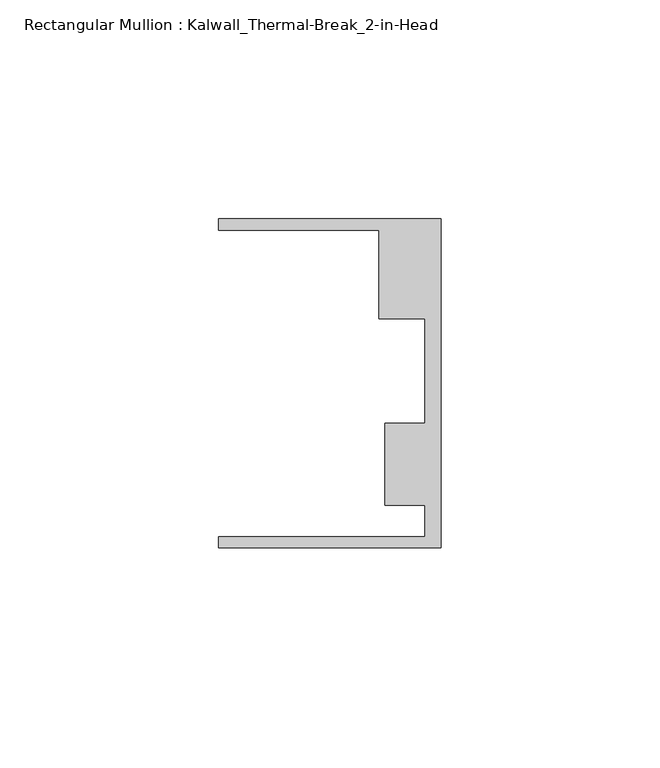
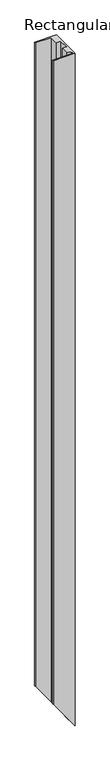
"""IFC4 building model written with IfcOpenShell, lengths in millimetres: member geometry, Rectangular Mullion : Kalwall_Thermal-Break_2-in-Head."""

from ifc_helpers import new_model, si_unit, origin, place, context, project, spatial, faceted_brep, source, transform, mapped, element, save


def rectangular_mullion_kalwall_thermal_break_2_in_head_a4593ae9(model_context):
    return source(origin(), model_context, "Body", "Brep", [
        faceted_brep([(0.0, 37.5023614, 0.0), (0.0, -37.5776386, 0.0), (0.0, -37.5776386, -1652.7055312), (0.0, 37.5023614, -1652.7055312), (-50.8, 37.5023614, 0.0), (-50.8, 37.5023614, -1582.1017612), (-50.8, 34.9623614, 0.0), (-50.8, 34.9623614, -1582.1017612), (-14.1732, 34.9623614, 0.0), (-14.1732, 34.9623614, -1633.0070794), (-14.1732, 14.7439614, 0.0), (-14.1732, 14.7439614, -1633.0070794), (-3.7084, 14.7439614, 0.0), (-3.7084, 14.7439614, -1647.551456), (-3.7084, -9.1879886, 0.0), (-3.7084, -9.1879886, -1647.551456), (-12.8272539, -9.1879886, 0.0), (-12.8272539, -9.1879886, -1634.8777264), (-12.8272539, -27.8888568, 0.0), (-12.8272539, -27.8888568, -1634.8777264), (-3.7084, -27.8888568, 0.0), (-3.7084, -27.8888568, -1647.551456), (-3.7084, -35.0376386, 0.0), (-3.7084, -35.0376386, -1647.551456), (-50.8, -35.0376386, 0.0), (-50.8, -35.0376386, -1582.1017612), (-50.8, -37.5776386, 0.0), (-50.8, -37.5776386, -1582.1017612)], [[[0, 1, 2, 3]], [[4, 0, 3, 5]], [[6, 4, 5, 7]], [[8, 6, 7, 9]], [[10, 8, 9, 11]], [[12, 10, 11, 13]], [[14, 12, 13, 15]], [[16, 14, 15, 17]], [[18, 16, 17, 19]], [[20, 18, 19, 21]], [[22, 20, 21, 23]], [[24, 22, 23, 25]], [[26, 24, 25, 27]], [[1, 26, 27, 2]], [[1, 0, 4, 6, 8, 10, 12, 14, 16, 18, 20, 22, 24, 26]], [[2, 27, 25, 23, 21, 19, 17, 15, 13, 11, 9, 7, 5, 3]]]),
    ])


if __name__ == "__main__":
    model = new_model("IFC4")
    model_context = context("Model", 3, world=origin())
    ifc_project = project(units=[si_unit("LENGTHUNIT", "METRE", prefix="MILLI")], contexts=[model_context])
    site = spatial("IfcSite", under=ifc_project)
    building = spatial("IfcBuilding", under=site)
    placement = place(None, origin())
    rectangular_mullion_kalwall_thermal_break_2_in_head_shape = rectangular_mullion_kalwall_thermal_break_2_in_head_a4593ae9(model_context)
    element("IfcMember", 1, ObjectType="Rectangular Mullion : Kalwall_Thermal-Break_2-in-Head", at=placement, inside=building, context=model_context, shape_type="MappedRepresentation", body=[
        mapped(rectangular_mullion_kalwall_thermal_break_2_in_head_shape, transform((0.0, 0.0, 0.0), x_axis=(1.0, 0.0, 0.0), y_axis=(0.0, 1.0, 0.0), z_axis=(0.0, 0.0, 1.0))),
    ])
    save(model, "model.ifc")
